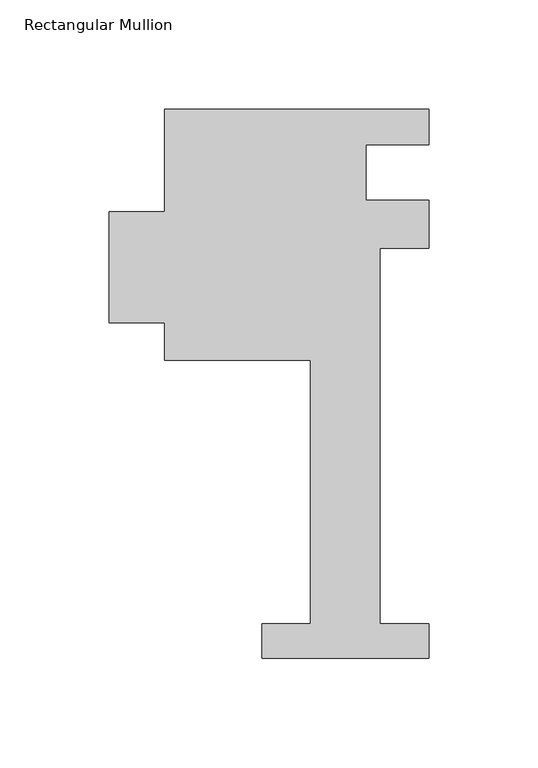
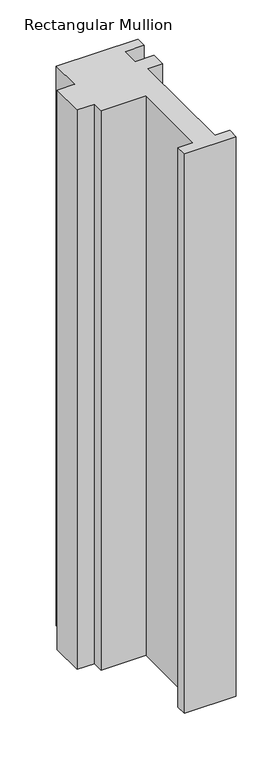
"""IFC4 building model written with IfcOpenShell, lengths in millimetres: member geometry, Rectangular Mullion."""

import ifcopenshell
import ifcopenshell.guid

model = None  # the IFC model being written
_history = None  # IfcOwnerHistory: only IFC2X3 demands one
_inside = {}  # id of a spatial element -> (the spatial element, [elements in it])
_under = {}  # id of a project, library or spatial element -> (it, [spatial elements below it])
_declared = {}  # id of a project -> (the project, [libraries it declares])
_typed = {}  # id of a type object -> (the type object, [elements of that type])
_made_of = {}  # id of a material, layer set ... -> (it, [elements and type objects made of it])


def new_model(schema):
    """Start an empty IFC model of exactly this schema.

    Asked for "IFC4X3", IfcOpenShell would pick the latest addendum, in which some entities
    have other attributes; the version numbers below select the first issue.
    IFC2X3 requires an IfcOwnerHistory on every rooted entity: one is made here for all.
    """
    global model, _history
    if schema == "IFC4X3":
        model = ifcopenshell.file(schema_version=(4, 3, 0, 0))
    else:
        model = ifcopenshell.file(schema=schema)
    _inside.clear()
    _under.clear()
    _declared.clear()
    _typed.clear()
    _made_of.clear()
    _history = None
    if model.schema == "IFC2X3":
        org = make("IfcOrganization", Name="unknown")
        user = make(
            "IfcPersonAndOrganization",
            ThePerson=make("IfcPerson", FamilyName="unknown"),
            TheOrganization=org,
        )
        app = make(
            "IfcApplication",
            ApplicationDeveloper=org,
            Version="unknown",
            ApplicationFullName="unknown",
            ApplicationIdentifier="unknown",
        )
        _history = make(
            "IfcOwnerHistory",
            OwningUser=user,
            OwningApplication=app,
            ChangeAction="ADDED",
            CreationDate=0,
        )
    return model


def make(cls, **values):
    """One entity of the class cls with the attributes given. An attribute that is None is left unset."""
    return model.create_entity(
        cls, **{name: value for name, value in values.items() if value is not None}
    )


def rooted(cls, **values):
    """An entity with a GlobalId (a new one), such as an element, a storey or a relation."""
    return make(cls, GlobalId=ifcopenshell.guid.new(), OwnerHistory=_history, **values)


def si_unit(unit_type, name, prefix=None):
    """IfcSIUnit, for example si_unit("LENGTHUNIT", "METRE", prefix="MILLI")."""
    return make("IfcSIUnit", UnitType=unit_type, Prefix=prefix, Name=name)


def assignment(units):
    """IfcUnitAssignment: the units of a project."""
    return None if units is None else make("IfcUnitAssignment", Units=units)


def point(xyz):
    """IfcCartesianPoint."""
    return None if xyz is None else make("IfcCartesianPoint", Coordinates=xyz)


def direction(xyz):
    """IfcDirection."""
    return None if xyz is None else make("IfcDirection", DirectionRatios=xyz)


def frame(location, z_axis=None, x_axis=None):
    """IfcAxis2Placement3D, a coordinate frame: its origin and axes. An axis left out is left unset."""
    return make(
        "IfcAxis2Placement3D",
        Location=point(location),
        Axis=direction(z_axis),
        RefDirection=direction(x_axis),
    )


def origin():
    """The frame at (0, 0, 0) with its axes left unset."""
    return frame((0.0, 0.0, 0.0))


def place(relative_to, where):
    """IfcLocalPlacement: puts the frame where relative to a parent placement (None: the world)."""
    return make(
        "IfcLocalPlacement", PlacementRelTo=relative_to, RelativePlacement=where
    )


def context(
    kind, dimensions, precision=None, world=None, true_north=None, identifier=None
):
    """IfcGeometricRepresentationContext, for example the 3D "Model" context."""
    return make(
        "IfcGeometricRepresentationContext",
        ContextIdentifier=identifier,
        ContextType=kind,
        CoordinateSpaceDimension=dimensions,
        Precision=precision,
        WorldCoordinateSystem=world,
        TrueNorth=true_north,
    )


def project(units=None, contexts=None):
    """IfcProject with its units and contexts."""
    return rooted(
        "IfcProject",
        Name="project",
        RepresentationContexts=contexts,
        UnitsInContext=assignment(units),
    )


def spatial(cls, under=None, at=None, **own):
    """A site, building, storey or space (cls), placed at a placement, below another one or the project."""
    s = rooted(cls, ObjectPlacement=at, **own)
    if under is not None:
        _under.setdefault(under.id(), (under, []))[1].append(s)
    return s


def polyline(points):
    """IfcPolyline through the points."""
    return make("IfcPolyline", Points=[point(p) for p in points])


def outline(outer, holes=None, kind="AREA"):
    """IfcArbitraryClosedProfileDef: a profile drawn as a closed curve; with holes, ...WithVoids."""
    if holes is None:
        return make("IfcArbitraryClosedProfileDef", ProfileType=kind, OuterCurve=outer)
    return make(
        "IfcArbitraryProfileDefWithVoids",
        ProfileType=kind,
        OuterCurve=outer,
        InnerCurves=holes,
    )


def extrude(swept, where, along, depth):
    """IfcExtrudedAreaSolid: the profile swept, set in the frame where, extruded along a direction by depth."""
    return make(
        "IfcExtrudedAreaSolid",
        SweptArea=swept,
        Position=where,
        ExtrudedDirection=direction(along),
        Depth=depth,
    )


def shape(context_of_items, identifier, shape_type, items):
    """IfcShapeRepresentation: the items that make up one representation, for example the "Body"."""
    return make(
        "IfcShapeRepresentation",
        ContextOfItems=context_of_items,
        RepresentationIdentifier=identifier,
        RepresentationType=shape_type,
        Items=items,
    )


def source(mapping_origin, context_of_items, identifier, shape_type, items):
    """IfcRepresentationMap: a shape defined once, which mapped items show again and again."""
    return make(
        "IfcRepresentationMap",
        MappingOrigin=mapping_origin,
        MappedRepresentation=shape(context_of_items, identifier, shape_type, items),
    )


def transform(
    local_origin,
    x_axis=None,
    y_axis=None,
    z_axis=None,
    scale=None,
    scale2=None,
    scale3=None,
    uniform=True,
):
    """IfcCartesianTransformationOperator3D, or its non-uniform kind. x_axis, y_axis, z_axis: its Axis1, 2, 3."""
    if uniform:
        return make(
            "IfcCartesianTransformationOperator3D",
            Axis1=direction(x_axis),
            Axis2=direction(y_axis),
            LocalOrigin=point(local_origin),
            Scale=scale,
            Axis3=direction(z_axis),
        )
    return make(
        "IfcCartesianTransformationOperator3DnonUniform",
        Axis1=direction(x_axis),
        Axis2=direction(y_axis),
        LocalOrigin=point(local_origin),
        Scale=scale,
        Axis3=direction(z_axis),
        Scale2=scale2,
        Scale3=scale3,
    )


def mapped(mapping_source, mapping_target):
    """IfcMappedItem: shows the shape of a source again, moved by a transform."""
    return make(
        "IfcMappedItem", MappingSource=mapping_source, MappingTarget=mapping_target
    )


def made_of(thing, what):
    """Note that an element or type object is made of a material, layer set ...; save() writes the relation."""
    if what is not None:
        _made_of.setdefault(what.id(), (what, []))[1].append(thing)
    return thing


def element(
    cls,
    number,
    at=None,
    inside=None,
    cuts=None,
    type_object=None,
    material=None,
    context=None,
    identifier="Body",
    shape_type=None,
    held_by="IfcProductDefinitionShape",
    body=None,
    shapes=None,
    **own,
):
    """One element of the class cls, such as IfcWall. Its Tag is "e" and its number.

    at: its placement. inside: the storey or other place that contains it. cuts: it is an
    opening in that element (IfcRelVoidsElement). A single representation is given by context,
    identifier, shape_type and body (its items); several are given by shapes. held_by: the class
    of the entity that holds the representations. save() writes the other relations.
    """
    e = rooted(cls, Tag="e%d" % number, ObjectPlacement=at, **own)
    if body is not None:
        shapes = [shape(context, identifier, shape_type, body)]
    if shapes is not None:
        e.Representation = make(held_by, Representations=shapes)
    if inside is not None:
        _inside.setdefault(inside.id(), (inside, []))[1].append(e)
    if cuts is not None:
        rooted(
            "IfcRelVoidsElement", RelatingBuildingElement=cuts, RelatedOpeningElement=e
        )
    if type_object is not None:
        _typed.setdefault(type_object.id(), (type_object, []))[1].append(e)
    return made_of(e, material)


def aggregate(whole, parts):
    """IfcRelAggregates: a whole, such as a stair, and the parts it consists of."""
    return rooted("IfcRelAggregates", RelatingObject=whole, RelatedObjects=parts)


def save(model, path):
    """Write the relations noted so far, then the file.

    IfcRelAggregates (storeys below a building ...), IfcRelContainedInSpatialStructure (elements
    in a storey), IfcRelDefinesByType, IfcRelAssociatesMaterial and IfcRelDeclares: one each for
    every whole, place, type object, material and project.
    """
    for whole, parts in _under.values():
        aggregate(whole, parts)
    for where, things in _inside.values():
        rooted(
            "IfcRelContainedInSpatialStructure",
            RelatedElements=things,
            RelatingStructure=where,
        )
    for kind, things in _typed.values():
        rooted("IfcRelDefinesByType", RelatedObjects=things, RelatingType=kind)
    for what, things in _made_of.values():
        rooted("IfcRelAssociatesMaterial", RelatedObjects=things, RelatingMaterial=what)
    for by, libraries in _declared.values():
        rooted("IfcRelDeclares", RelatingContext=by, RelatedDefinitions=libraries)
    model.write(path)


def rectangular_mullion_ad3d3da2(model_context):
    return source(origin(), model_context, "Body", "SweptSolid", [
        extrude(outline(polyline([(-38.1, -221.996), (-38.1, -206.121), (-15.875, -206.121), (-15.875, -85.7445803), (-82.55, -85.7445803), (-82.55, -68.6906436), (-107.95, -68.6906436), (-107.95, -17.8906436), (-82.55, -17.8906436), (-82.55, 28.8092863), (38.1, 28.8092863), (38.1, 12.7), (9.525, 12.7), (9.525, -12.7), (38.1, -12.7), (38.1, -34.671), (15.875, -34.671), (15.875, -206.121), (38.1, -206.121), (38.1, -221.996), (-38.1, -221.996)])), frame((0.0, 0.0, -872.5562491), z_axis=(0.0, 0.0, 1.0), x_axis=(1.0, 0.0, 0.0)), (0.0, 0.0, 1.0), 872.5562491),
    ])


if __name__ == "__main__":
    model = new_model("IFC4")
    model_context = context("Model", 3, world=origin())
    ifc_project = project(units=[si_unit("LENGTHUNIT", "METRE", prefix="MILLI")], contexts=[model_context])
    site = spatial("IfcSite", under=ifc_project)
    building = spatial("IfcBuilding", under=site)
    placement = place(None, origin())
    rectangular_mullion_shape = rectangular_mullion_ad3d3da2(model_context)
    element("IfcMember", 1, ObjectType="Rectangular Mullion", at=placement, inside=building, context=model_context, shape_type="MappedRepresentation", body=[
        mapped(rectangular_mullion_shape, transform((0.0, 0.0, 0.0), x_axis=(1.0, 0.0, 0.0), y_axis=(0.0, 1.0, 0.0), z_axis=(0.0, 0.0, 1.0))),
    ])
    save(model, "model.ifc")
